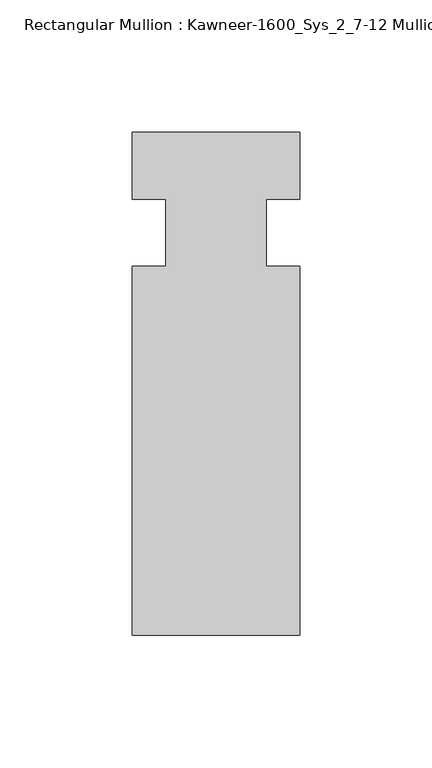
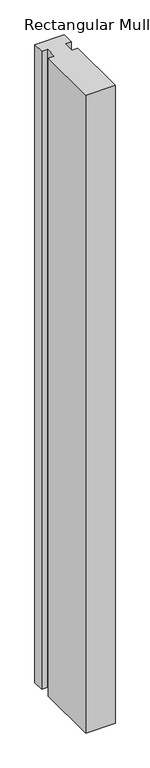
"""IFC4 building model written with IfcOpenShell, lengths in millimetres: member geometry, Rectangular Mullion : Kawneer-1600_Sys_2_7-12 Mullion_Horizontal."""

from ifc_helpers import new_model, si_unit, frame, origin, place, context, project, spatial, polyline, outline, extrude, source, transform, mapped, element, save


def rectangular_mullion_kawneer_1600_sys_2_7_12_mullion_4ea52994(model_context):
    return source(origin(), model_context, "Body", "SweptSolid", [
        extrude(outline(polyline([(36.0844027, -152.4), (-27.4155973, -152.4), (-27.4155973, -12.7), (-14.7155973, -12.7), (-14.7155973, 12.7), (-27.4155973, 12.7), (-27.4155973, 38.1), (36.0844027, 38.1), (36.0844027, 12.7), (23.3826322, 12.7), (23.3826322, -12.7), (36.0844027, -12.7), (36.0844027, -152.4)])), frame((0.0, 0.0, -1460.5), z_axis=(0.0, 0.0, 1.0), x_axis=(1.0, 0.0, 0.0)), (0.0, 0.0, 1.0), 1460.5),
    ])


if __name__ == "__main__":
    model = new_model("IFC4")
    model_context = context("Model", 3, world=origin())
    ifc_project = project(units=[si_unit("LENGTHUNIT", "METRE", prefix="MILLI")], contexts=[model_context])
    site = spatial("IfcSite", under=ifc_project)
    building = spatial("IfcBuilding", under=site)
    placement = place(None, origin())
    rectangular_mullion_kawneer_1600_sys_2_7_12_mullion_shape = rectangular_mullion_kawneer_1600_sys_2_7_12_mullion_4ea52994(model_context)
    element("IfcMember", 1, ObjectType="Rectangular Mullion : Kawneer-1600_Sys_2_7-12 Mullion_Horizontal", at=placement, inside=building, context=model_context, shape_type="MappedRepresentation", body=[
        mapped(rectangular_mullion_kawneer_1600_sys_2_7_12_mullion_shape, transform((0.0, 0.0, 0.0), x_axis=(1.0, 0.0, 0.0), y_axis=(0.0, 1.0, 0.0), z_axis=(0.0, 0.0, 1.0))),
    ])
    save(model, "model.ifc")
